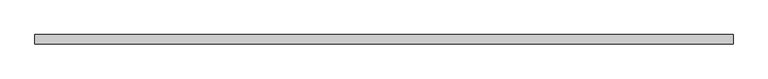
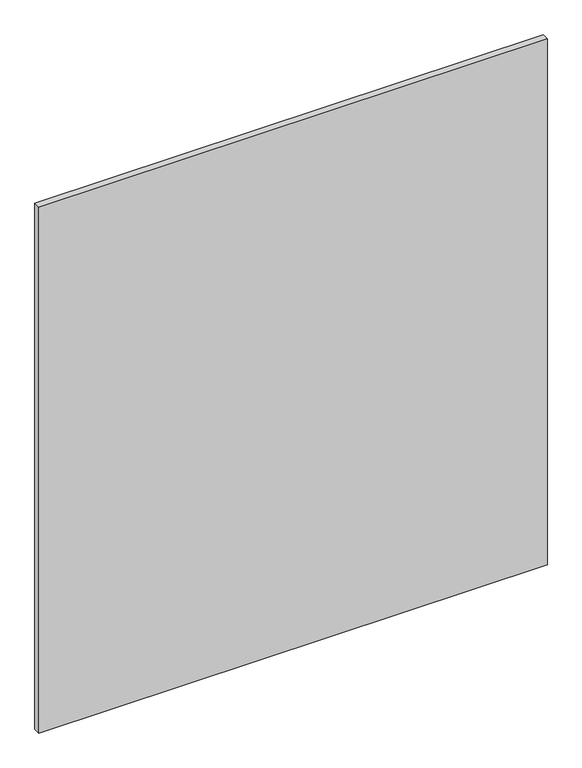
"""IFC4 building model written with IfcOpenShell, lengths in millimetres: plate geometry."""

from ifc_helpers import new_model, si_unit, origin, origin_with_axes, place, context, project, spatial, polyline, outline, extrude, source, transform, mapped, element, save


def plate_7b597c5c(model_context):
    return source(origin(), model_context, "Body", "SweptSolid", [
        extrude(outline(polyline([(915.0, -49.5), (-915.0, -49.5), (-915.0, -24.5), (915.0, -24.5), (915.0, -49.5)])), origin_with_axes(), (0.0, 0.0, 1.0), 2000.0),
    ])


if __name__ == "__main__":
    model = new_model("IFC4")
    model_context = context("Model", 3, world=origin())
    ifc_project = project(units=[si_unit("LENGTHUNIT", "METRE", prefix="MILLI")], contexts=[model_context])
    site = spatial("IfcSite", under=ifc_project)
    building = spatial("IfcBuilding", under=site)
    placement = place(None, origin())
    plate_shape = plate_7b597c5c(model_context)
    element("IfcPlate", 1, at=placement, inside=building, context=model_context, shape_type="MappedRepresentation", body=[
        mapped(plate_shape, transform((0.0, 0.0, 0.0), x_axis=(1.0, 0.0, 0.0), y_axis=(0.0, 1.0, 0.0), z_axis=(0.0, 0.0, 1.0))),
    ])
    save(model, "model.ifc")
